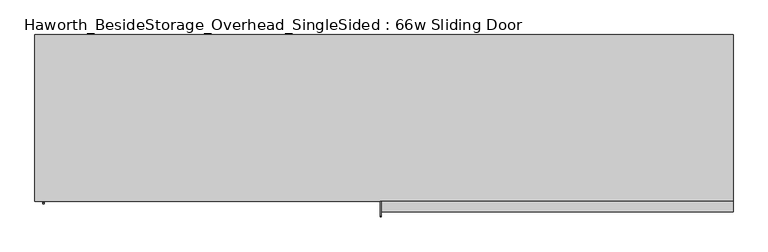
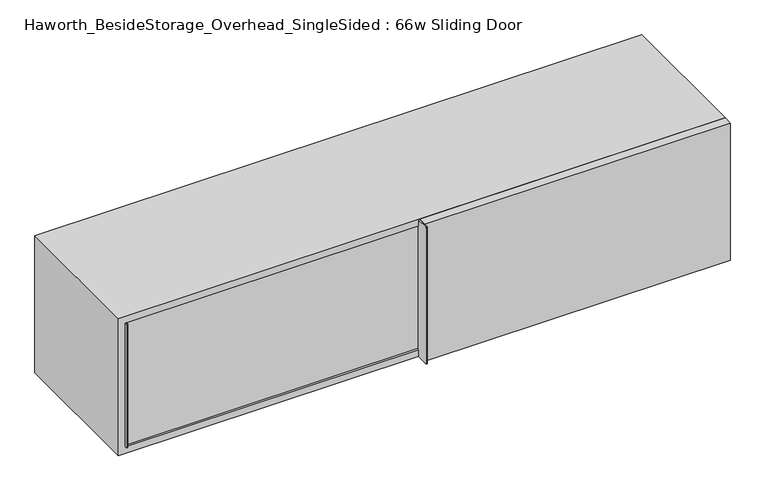
"""IFC4 building model written with IfcOpenShell, lengths in millimetres: furniture geometry, Haworth_BesideStorage_Overhead_SingleSided : 66w Sliding Door."""

from ifc_helpers import new_model, si_unit, point, frame, frame_2d, origin, place, context, project, spatial, polyline, circle_curve, trimmed, segment, composite_curve, outline, extrude, source, transform, mapped, element, save


def haworth_besidestorage_overhead_singlesided_66w_sliding_door_a026f108(model_context):
    return source(origin(), model_context, "Body", "SweptSolid", [
        extrude(outline(composite_curve([segment(polyline([(-400.05, 1162.05), (-400.05, 762.0), (-434.975, 762.0)]), True, "CONTINUOUS"), segment(trimmed(circle_curve(frame_2d((-434.975, 765.175)), 3.175), [point((-434.975, 762.0))], [point((-438.15, 765.175))], False, "CARTESIAN"), True, "CONTINUOUS"), segment(polyline([(-438.15, 765.175), (-438.15, 1158.875)]), True, "CONTINUOUS"), segment(trimmed(circle_curve(frame_2d((-434.975, 1158.875)), 3.175), [point((-438.15, 1158.875))], [point((-434.975, 1162.05))], False, "CARTESIAN"), True, "CONTINUOUS"), segment(polyline([(-434.975, 1162.05), (-400.05, 1162.05)]), True, "CONTINUOUS")], self_intersect=False)), frame((155.575, 0.0, 0.0), z_axis=(1.0, 0.0, 0.0), x_axis=(0.0, 1.0, 0.0)), (0.0, 0.0, 1.0), 3.175),
        extrude(outline(polyline([(1003.3, -400.05), (1003.3, -425.45), (158.75, -425.45), (158.75, -400.05), (1003.3, -400.05)])), frame((0.0, 0.0, 762.0), z_axis=(0.0, 0.0, 1.0), x_axis=(1.0, 0.0, 0.0)), (0.0, 0.0, 1.0), 400.05),
        extrude(outline(composite_curve([segment(polyline([(-368.3, 1143.0), (-368.3, 781.05), (-403.225, 781.05)]), True, "CONTINUOUS"), segment(trimmed(circle_curve(frame_2d((-403.225, 784.225)), 3.175), [point((-403.225, 781.05))], [point((-406.4, 784.225))], False, "CARTESIAN"), True, "CONTINUOUS"), segment(polyline([(-406.4, 784.225), (-406.4, 1139.825)]), True, "CONTINUOUS"), segment(trimmed(circle_curve(frame_2d((-403.225, 1139.825)), 3.175), [point((-406.4, 1139.825))], [point((-403.225, 1143.0))], False, "CARTESIAN"), True, "CONTINUOUS"), segment(polyline([(-403.225, 1143.0), (-368.3, 1143.0)]), True, "CONTINUOUS")], self_intersect=False)), frame((-654.05, 0.0, 0.0), z_axis=(1.0, 0.0, 0.0), x_axis=(0.0, 1.0, 0.0)), (0.0, 0.0, 1.0), 3.175),
        extrude(outline(polyline([(174.625, -368.3), (174.625, -393.7), (-650.875, -393.7), (-650.875, -368.3), (174.625, -368.3)])), frame((0.0, 0.0, 781.05), z_axis=(0.0, 0.0, 1.0), x_axis=(1.0, 0.0, 0.0)), (0.0, 0.0, 1.0), 361.95),
        extrude(outline(polyline([(174.625, -368.3), (155.575, -368.3), (155.575, -19.05), (174.625, -19.05), (174.625, -368.3)])), frame((0.0, 0.0, 781.05), z_axis=(0.0, 0.0, 1.0), x_axis=(1.0, 0.0, 0.0)), (0.0, 0.0, 1.0), 361.95),
        extrude(outline(polyline([(984.25, -19.05), (-654.05, -19.05), (-654.05, 0.0), (984.25, 0.0), (984.25, -19.05)])), frame((0.0, 0.0, 781.05), z_axis=(0.0, 0.0, 1.0), x_axis=(1.0, 0.0, 0.0)), (0.0, 0.0, 1.0), 361.95),
        extrude(outline(polyline([(762.0, 1003.3), (1162.05, 1003.3), (1162.05, -673.1), (762.0, -673.1), (762.0, 1003.3)]), holes=[polyline([(1143.0, 984.25), (781.05, 984.25), (781.05, -654.05), (1143.0, -654.05), (1143.0, 984.25)])]), frame((0.0, -400.05, 0.0), z_axis=(0.0, 1.0, 0.0), x_axis=(0.0, 0.0, 1.0)), (0.0, 0.0, 1.0), 400.05),
    ])


if __name__ == "__main__":
    model = new_model("IFC4")
    model_context = context("Model", 3, world=origin())
    ifc_project = project(units=[si_unit("LENGTHUNIT", "METRE", prefix="MILLI")], contexts=[model_context])
    site = spatial("IfcSite", under=ifc_project)
    building = spatial("IfcBuilding", under=site)
    placement = place(None, origin())
    haworth_besidestorage_overhead_singlesided_66w_sliding_door_shape = haworth_besidestorage_overhead_singlesided_66w_sliding_door_a026f108(model_context)
    element("IfcFurniture", 1, ObjectType="Haworth_BesideStorage_Overhead_SingleSided : 66w Sliding Door", at=placement, inside=building, context=model_context, shape_type="MappedRepresentation", body=[
        mapped(haworth_besidestorage_overhead_singlesided_66w_sliding_door_shape, transform((0.0, 0.0, 0.0), x_axis=(1.0, 0.0, 0.0), y_axis=(0.0, 1.0, 0.0), z_axis=(0.0, 0.0, 1.0))),
    ])
    save(model, "model.ifc")
